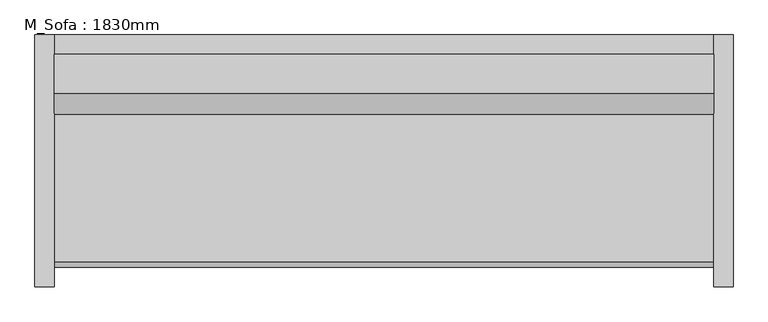
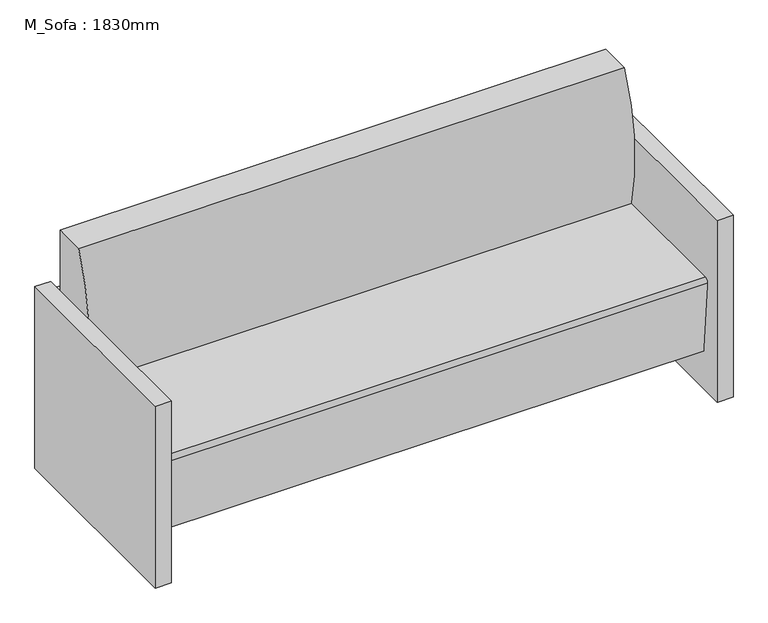
"""IFC4 building model written with IfcOpenShell, lengths in millimetres: furniture geometry, M_Sofa : 1830mm."""

from ifc_helpers import new_model, si_unit, point, frame, frame_2d, origin, origin_with_axes, place, context, project, spatial, polyline, circle_curve, trimmed, segment, composite_curve, outline, extrude, source, transform, mapped, element, save


def m_sofa_1830mm_f9e8a66b(model_context):
    return source(origin(), model_context, "Body", "SweptSolid", [
        extrude(outline(polyline([(-793.8295082, 425.5540984), (-793.8295082, 476.3540984), (934.5704918, 476.3540984), (934.5704918, 425.5540984), (-793.8295082, 425.5540984)])), frame((0.0, 0.0, 457.2), z_axis=(0.0, 0.0, 1.0), x_axis=(1.0, 0.0, 0.0)), (0.0, 0.0, 1.0), 127.0),
        extrude(outline(polyline([(-793.8295082, 425.5540984), (-793.8295082, 476.3540984), (934.5704918, 476.3540984), (934.5704918, 425.5540984), (-793.8295082, 425.5540984)])), frame((0.0, 0.0, 266.7), z_axis=(0.0, 0.0, 1.0), x_axis=(1.0, 0.0, 0.0)), (0.0, 0.0, 1.0), 127.0),
        extrude(outline(polyline([(-793.8295082, 425.5540984), (-793.8295082, 476.3540984), (934.5704918, 476.3540984), (934.5704918, 425.5540984), (-793.8295082, 425.5540984)])), frame((0.0, 0.0, 76.2), z_axis=(0.0, 0.0, 1.0), x_axis=(1.0, 0.0, 0.0)), (0.0, 0.0, 1.0), 127.0),
        extrude(outline(composite_curve([segment(trimmed(circle_curve(frame_2d((926.517198, 542.5300036)), 660.4), [point((286.1764935, 381.0))], [point((323.9540984, 812.8))], False, "CARTESIAN"), True, "CONTINUOUS"), segment(polyline([(323.9540984, 812.8), (425.5540984, 812.8), (425.5540984, 127.9665467), (-111.108343, 127.9665467), (-132.0379563, 367.1931221)]), True, "CONTINUOUS"), segment(trimmed(circle_curve(frame_2d((-119.3862837, 368.3)), 12.7), [point((-132.0379563, 367.1931221))], [point((-119.3862837, 381.0))], False, "CARTESIAN"), True, "CONTINUOUS"), segment(polyline([(-119.3862837, 381.0), (286.1764935, 381.0)]), True, "CONTINUOUS")], self_intersect=False)), frame((-793.8295082, 0.0, 0.0), z_axis=(1.0, 0.0, 0.0), x_axis=(0.0, 1.0, 0.0)), (0.0, 0.0, 1.0), 1728.4),
        extrude(outline(polyline([(-793.8295082, 476.3540984), (-793.8295082, -184.0459016), (-844.6295082, -184.0459016), (-844.6295082, 476.3540984), (-793.8295082, 476.3540984)])), origin_with_axes(), (0.0, 0.0, 1.0), 609.6),
        extrude(outline(polyline([(985.3704918, 476.3540984), (985.3704918, -184.0459016), (934.5704918, -184.0459016), (934.5704918, 476.3540984), (985.3704918, 476.3540984)])), origin_with_axes(), (0.0, 0.0, 1.0), 609.6),
    ])


if __name__ == "__main__":
    model = new_model("IFC4")
    model_context = context("Model", 3, world=origin())
    ifc_project = project(units=[si_unit("LENGTHUNIT", "METRE", prefix="MILLI")], contexts=[model_context])
    site = spatial("IfcSite", under=ifc_project)
    building = spatial("IfcBuilding", under=site)
    placement = place(None, origin())
    m_sofa_1830mm_shape = m_sofa_1830mm_f9e8a66b(model_context)
    element("IfcFurniture", 1, ObjectType="M_Sofa : 1830mm", at=placement, inside=building, context=model_context, shape_type="MappedRepresentation", body=[
        mapped(m_sofa_1830mm_shape, transform((0.0, 0.0, 0.0), x_axis=(1.0, 0.0, 0.0), y_axis=(0.0, 1.0, 0.0), z_axis=(0.0, 0.0, 1.0))),
    ])
    save(model, "model.ifc")
